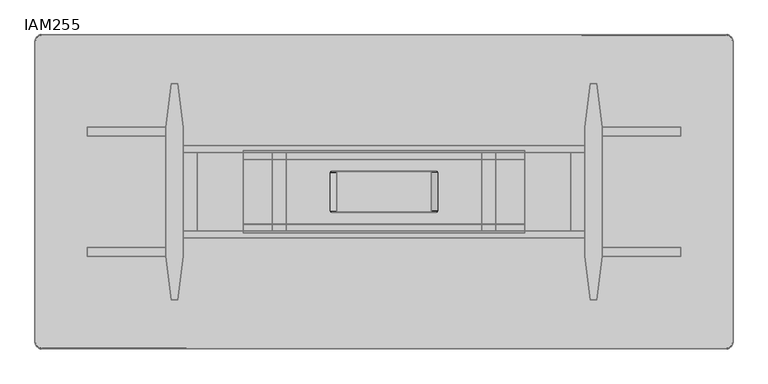
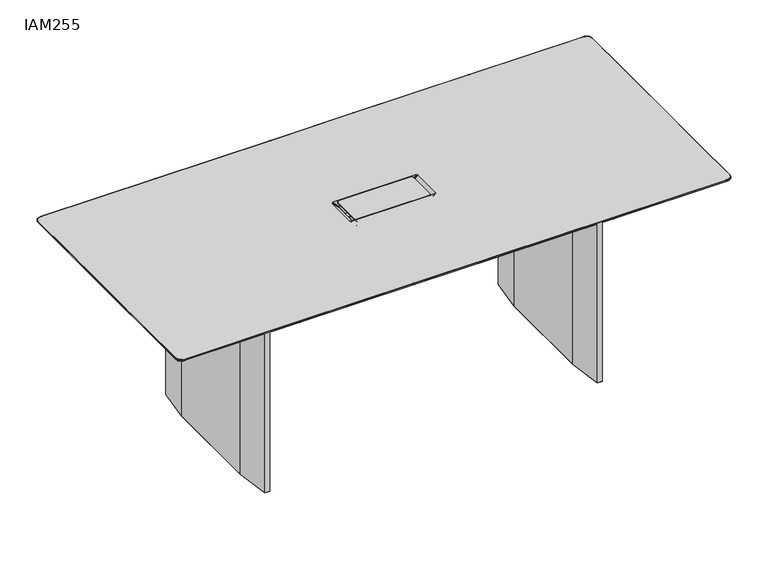
"""IFC4 building model written with IfcOpenShell, lengths in millimetres: furniture geometry, IAM255."""

from ifc_helpers import new_model, si_unit, origin, place, context, project, spatial, triangles, source, transform, mapped, element, save


def iam255_417bec36(model_context):
    return source(origin(), model_context, "Body", "Tessellation", [
        triangles([(131.0001434, -57.9997437, 724.9997875), (132.8403382, -57.6486069, 724.9997875), (134.5353837, -56.5352982, 724.9997875), (131.0001434, -52.9996629, 724.9997875), (135.6490875, -54.8400529, 724.9997875), (136.0000381, -52.9996629, 724.9997875), (131.0001434, -57.9997437, 723.4854177), (132.8403382, -57.6486069, 723.4854177), (134.535965, -56.5352982, 723.4854177), (135.6490875, -54.8400529, 723.4854177), (136.0000381, -52.9996629, 723.4854177), (111.0000107, -57.9997437, 699.9997147), (111.0000107, -52.9996629, 699.9997147), (114.5354507, -56.5352982, 699.9997147), (112.8403961, -57.6486069, 699.9997147), (111.0000107, 53.0002624, 699.9997147), (116.000087, 53.0002624, 699.9997147), (116.000087, -52.9996629, 699.9997147), (115.6489456, -54.8400529, 699.9997147), (135.743068, -52.9996629, 720.7435066), (135.743068, 53.0002624, 720.7435066), (136.0000381, 53.0002624, 723.4854177), (130.9995621, -57.9997437, 722.1296139), (132.8407197, -57.6486069, 721.7631392), (134.4262969, -56.4256165, 721.2385345), (135.4810745, -54.8111802, 720.8545464), (-130.9999527, -52.999681, 724.9997875), (-130.9999527, -57.9997619, 724.9997875), (-111.0000107, -57.9997619, 699.9997147), (-111.0000107, -52.999681, 699.9997147), (131.6094086, -57.9997437, 721.0209606), (-131.6092178, -57.9997619, 721.0209606), (132.5789261, -57.6486069, 719.9983486), (133.4720856, -56.5352982, 719.0564003), (134.0036392, -54.9981873, 718.4952427), (134.2435501, -52.9996629, 718.2424965), (-134.5353837, -56.5353164, 724.9997875), (-132.8403382, -57.6486205, 724.9997875), (-130.9999527, 53.0002442, 724.9997875), (-135.9998473, 53.0002442, 724.9997875), (-135.9998473, -52.999681, 724.9997875), (-135.6488877, -54.840071, 724.9997875), (-130.9999527, -57.9997619, 723.4854177), (-132.8403382, -57.6486205, 723.4854177), (-134.5357743, -56.5353164, 723.4854177), (-135.6488877, -54.840071, 723.4854177), (-135.9998473, -52.999681, 723.4854177), (-112.8402054, -57.6486205, 699.9997147), (-114.53526, -56.5353164, 699.9997147), (-115.9998962, -52.999681, 699.9997147), (-115.9998962, 53.0002442, 699.9997147), (-111.0000107, 53.0002442, 699.9997147), (-115.6489456, -54.840071, 699.9997147), (-135.9998473, 53.0002442, 723.4854177), (-135.7428772, 53.0002442, 720.7435066), (-135.7428772, -52.999681, 720.7435066), (-132.8405289, -57.6486205, 721.7631392), (-130.9993713, -57.9997619, 722.1296139), (-134.4262969, -56.4256302, 721.2385345), (-135.4808837, -54.8111938, 720.8545464), (-132.5787262, -57.6486205, 719.9983486), (-133.4718948, -56.5353164, 719.0564003), (-134.0036392, -54.9982009, 718.4952427), (-134.2433503, -52.999681, 718.2424965), (-134.2433503, 53.0002442, 718.2424965), (131.0001434, 58.0003433, 724.9997875), (131.0001434, 53.0002624, 724.9997875), (134.5353837, 56.5358978, 724.9997875), (132.8403382, 57.6492019, 724.9997875), (136.0000381, 53.0002624, 724.9997875), (135.6490875, 54.8408432, 724.9997875), (132.8403382, 57.6492019, 723.4854177), (131.0001434, 58.0003433, 723.4854177), (134.535965, 56.5358978, 723.4854177), (135.6490875, 54.8408432, 723.4854177), (111.0000107, 58.0003433, 699.9997147), (112.8403961, 57.6492019, 699.9997147), (114.5354507, 56.5358978, 699.9997147), (115.6489456, 54.8408432, 699.9997147), (132.8407197, 57.6492019, 721.7631392), (130.9995621, 58.0003433, 722.1296139), (134.4262969, 56.4262115, 721.2385345), (135.4810745, 54.8117752, 720.8545464), (-130.9999527, 58.0003251, 724.9997875), (-111.0000107, 58.0003251, 699.9997147), (-131.6092178, 58.0003251, 721.0209606), (131.6094086, 58.0003433, 721.0209606), (134.2435501, 53.0002624, 718.2424965), (132.5789261, 57.6492019, 719.9983486), (133.4720856, 56.5358978, 719.0564003), (134.0036392, 54.9987823, 718.4952427), (-132.8403382, 57.6491883, 724.9997875), (-134.5353837, 56.5358796, 724.9997875), (-135.6488877, 54.8408295, 724.9997875), (-130.9999527, 58.0003251, 723.4854177), (-132.8403382, 57.6491883, 723.4854177), (-134.5357743, 56.5358796, 723.4854177), (-135.6488877, 54.8408295, 723.4854177), (-114.53526, 56.5358796, 699.9997147), (-112.8402054, 57.6491883, 699.9997147), (-115.6489456, 54.8408295, 699.9997147), (-130.9993713, 58.0003251, 722.1296139), (-132.8405289, 57.6491883, 721.7631392), (-134.4262969, 56.4261979, 721.2385345), (-135.4808837, 54.8117615, 720.8545464), (-132.5787262, 57.6491883, 719.9983486), (-133.4718948, 56.5358796, 719.0564003), (-134.0036392, 54.9987687, 718.4952427), (-402.5000321, -92.2005949, 604.9997357), (-402.5000321, -93.0005461, 604.9997357), (-402.5000321, -93.0005461, 620.4997707), (-402.5000321, -92.2005949, 620.4997707), (-402.5000321, -94.5004545, 622.799703), (-402.5000321, -94.5004545, 621.9997519), (-402.5000321, -118.0009551, 621.9997519), (-402.5000321, -118.0009551, 622.799703), (-402.5000321, -93.6646498, 622.6424452), (-402.5000321, -93.9553298, 621.8971418), (-402.5000321, -92.0500227, 604.2001842), (-402.5000321, -92.7953261, 603.909359), (-402.5000321, -92.8912504, 622.1429117), (-402.5000321, -92.3728682, 621.3735546), (-402.5000321, -93.1129484, 621.0696487), (-402.5000321, -93.4509001, 621.571435), (-402.5000321, -91.5723357, 603.4603675), (-402.5000321, -90.8363432, 602.9646855), (-402.5000321, -91.1403853, 602.2246508), (-402.5000321, -92.1438215, 602.9006269), (-402.5000321, -90.0005294, 602.7997247), (-402.5000321, -90.0005294, 601.9997735), (-402.5000321, 90.0001024, 602.7997247), (-402.5000321, 90.0001024, 601.9997735), (-402.5000321, 92.2003497, 604.9997357), (-402.5000321, 92.2003497, 620.4997707), (-402.5000321, 93.0001101, 620.4997707), (-402.5000321, 93.0001101, 604.9997357), (-402.5000321, 94.5002184, 622.799703), (-402.5000321, 118.000519, 622.799703), (-402.5000321, 118.000519, 621.9997519), (-402.5000321, 94.5002184, 621.9997519), (-402.5000321, 93.9550936, 621.8971418), (-402.5000321, 93.6642229, 622.6424452), (-402.5000321, 92.7950899, 603.909359), (-402.5000321, 92.0497865, 604.2001842), (-402.5000321, 92.8910143, 622.1429117), (-402.5000321, 93.450664, 621.571435), (-402.5000321, 93.1127031, 621.0696487), (-402.5000321, 92.372632, 621.3735546), (-402.5000321, 91.5719087, 603.4603675), (-402.5000321, 92.1435762, 602.9006269), (-402.5000321, 91.1399584, 602.2246508), (-402.5000321, 90.8360979, 602.9646855), (402.5000321, -92.2005495, 620.4997707), (402.5000321, -92.2005495, 604.9997357), (402.5000321, -93.0005007, 604.9997357), (402.5000321, -93.0005007, 620.4997707), (402.5000321, -94.5004091, 621.9997519), (402.5000321, -118.0009096, 621.9997519), (402.5000321, -93.112903, 621.0696487), (402.5000321, -90.0004839, 601.9997735), (402.5000321, -91.140349, 602.2246508), (402.5000321, -92.891205, 622.1429117), (402.5000321, -92.3728228, 621.3735546), (402.5000321, -93.4508547, 621.571435), (402.5000321, -93.9552843, 621.8971418), (402.5000321, -93.6646044, 622.6424452), (402.5000321, -92.1437761, 602.9006269), (402.5000321, -92.7952806, 603.909359), (402.5000321, -92.0499773, 604.2001842), (402.5000321, -91.5722903, 603.4603675), (402.5000321, -90.8362978, 602.9646855), (402.5000321, -90.0004839, 602.7997247), (402.5000321, 90.0001478, 601.9997735), (402.5000321, 92.2003951, 604.9997357), (402.5000321, 92.2003951, 620.4997707), (402.5000321, 118.0005645, 622.799703), (402.5000321, 118.0005645, 621.9997519), (402.5000321, 94.5002547, 622.799703), (402.5000321, 93.6642683, 622.6424452), (402.5000321, 93.4507094, 621.571435), (402.5000321, 93.1127486, 621.0696487), (402.5000321, 92.8910597, 622.1429117), (402.5000321, 93.0001555, 620.4997707), (402.5000321, 91.5719451, 603.4603675), (402.5000321, 92.049832, 604.2001842), (402.5000321, 92.7951353, 603.909359), (402.5000321, 92.1436217, 602.9006269), (402.5000321, 90.0001478, 602.7997247), (402.5000321, 90.8361433, 602.9646855), (402.5000321, -94.5004091, 622.799703), (402.5000321, -118.0009096, 622.799703), (402.5000321, 93.0001555, 604.9997357), (402.5000321, 94.5002547, 621.9997519), (402.5000321, 93.955139, 621.8971418), (402.5000321, 92.3726774, 621.3735546), (402.5000321, 91.1400038, 602.2246508), (-979.9994843, 450.0000034, 724.4997454), (-564.9996337, 450.0000034, 724.4997454), (-564.9996337, 450.0000034, 720.4995535), (-979.9994843, 450.0000034, 720.4995535), (-999.9994263, 430.0000251, 724.4997454), (-998.5952242, 437.362112, 724.4997454), (-998.5952242, 437.362112, 720.4995535), (-999.9994263, 430.0000251, 720.4995535), (-994.1416443, 444.1421124, 724.4997454), (-994.1416443, 444.1421124, 720.4995535), (-987.3614622, 448.5956923, 724.4997454), (-987.3614622, 448.5956923, 720.4995535), (-999.4994568, 430.0000251, 724.9997149), (-999.4994568, 242.4998601, 724.9997149), (-979.9994843, 242.4998601, 724.9997149), (-979.9994843, 430.0000251, 724.9997149), (-993.7881775, 443.7886456, 724.9997149), (-998.1227966, 437.1707356, 724.9997149), (-154.6483003, 56.8403214, 724.9997149), (-153.5350143, 58.5353715, 724.9997149), (-979.9994843, 449.500034, 724.9997149), (-987.1699768, 448.1231558, 724.9997149), (-149.9995924, 430.0000978, 724.9997149), (-149.9993653, 59.999817, 724.9997149), (149.9991745, 59.9998306, 724.9997149), (149.999338, 430.0000978, 724.9997149), (-999.9994263, 54.9998814, 724.4997454), (-999.9994263, 54.9998814, 720.4995535), (-999.9994263, -54.9999904, 720.4995535), (-999.9994263, -54.9999904, 724.4997454), (-149.9995924, 449.5000703, 724.9997149), (-564.9996337, 449.5000703, 724.9997149), (-564.9996337, 430.0000614, 724.9997149), (-151.8399597, 59.6488709, 724.9997149), (-999.9994263, 242.4998601, 724.4997454), (-999.9994263, 242.4998601, 720.4995535), (-999.4994568, 54.9998814, 724.9997149), (-979.9994843, 54.9998814, 724.9997149), (-154.9992599, 54.9999268, 724.9997149), (979.9991936, 450.0001124, 724.4997454), (979.9991936, 450.0001124, 720.4995535), (564.999234, 450.0000761, 720.4995535), (564.999234, 450.0000761, 724.4997454), (999.9991356, 430.0001704, 724.4997454), (999.9991356, 430.0001704, 720.4995535), (998.5951515, 437.3622211, 720.4995535), (998.5951515, 437.3622211, 724.4997454), (994.1414989, 444.1422215, 720.4995535), (994.1414989, 444.1422215, 724.4997454), (987.3612442, 448.5958377, 720.4995535), (987.3612442, 448.5958377, 724.4997454), (999.4991661, 430.0001704, 724.9997149), (979.9991936, 430.0001704, 724.9997149), (979.9991936, 242.4999691, 724.9997149), (999.4991661, 242.4999691, 724.9997149), (998.1225786, 437.170881, 724.9997149), (993.7879595, 443.7887547, 724.9997149), (153.5348145, 58.5353851, 724.9997149), (154.6481186, 56.840335, 724.9997149), (987.1698315, 448.1232648, 724.9997149), (979.9991936, 449.500143, 724.9997149), (149.999338, 449.5000703, 724.9997149), (149.999338, 450.0000398, 724.4997454), (149.999338, 450.0000398, 720.4995535), (-149.9995924, 450.0000398, 720.4995535), (-149.9995924, 450.0000398, 724.4997454), (564.999234, 430.0001341, 724.9997149), (564.999234, 449.5001066, 724.9997149), (151.8397599, 59.6488845, 724.9997149), (999.9991356, 54.9999904, 724.4997454), (999.9991356, 54.9999904, 720.4995535), (999.9991356, 242.4999691, 720.4995535), (999.9991356, 242.4999691, 724.4997454), (979.9991936, 54.9999904, 724.9997149), (999.4991661, 54.9999904, 724.9997149), (154.9992599, 54.999945, 724.9997149), (-979.9994843, -450.0001124, 724.4997454), (-979.9994843, -450.0001124, 720.4995535), (-564.9996337, -450.0000761, 720.4995535), (-564.9996337, -450.0000761, 724.4997454), (-999.9994263, -430.0001704, 724.4997454), (-999.9994263, -430.0001704, 720.4995535), (-998.5952242, -437.3623301, 720.4995535), (-998.5952242, -437.3623301, 724.4997454), (-994.1416443, -444.1422941, 720.4995535), (-994.1416443, -444.1422941, 724.4997454), (-987.3614622, -448.5959467, 720.4995535), (-987.3614622, -448.5959467, 724.4997454), (-999.4994568, -430.0001704, 724.9997149), (-979.9994843, -430.0001704, 724.9997149), (-979.9994843, -242.4999691, 724.9997149), (-999.4994568, -242.4999691, 724.9997149), (-998.1227966, -437.170881, 724.9997149), (-993.7881775, -443.7888637, 724.9997149), (-153.5350143, -58.5353851, 724.9997149), (-154.6483003, -56.840335, 724.9997149), (-987.1699768, -448.1234828, 724.9997149), (-979.9994843, -449.500143, 724.9997149), (149.9993925, -430.0000978, 724.9997149), (149.9991745, -59.999817, 724.9997149), (-149.9993653, -59.9998306, 724.9997149), (-149.9995288, -430.0000978, 724.9997149), (-149.9995288, -449.5000703, 724.9997149), (-564.9996337, -430.0001341, 724.9997149), (-564.9996337, -449.5001066, 724.9997149), (-151.8399597, -59.6488845, 724.9997149), (-999.4994568, -54.9999904, 724.9997149), (-979.9994843, -54.9999904, 724.9997149), (-999.9994263, -242.4999691, 720.4995535), (-999.9994263, -242.4999691, 724.4997454), (-154.9992599, -54.999945, 724.9997149), (979.9991936, -450.0000034, 724.4997454), (564.999234, -450.0000034, 724.4997454), (564.999234, -450.0000034, 720.4995535), (979.9991936, -450.0000034, 720.4995535), (999.9991356, -430.0000251, 724.4997454), (998.5951515, -437.3621847, 724.4997454), (998.5951515, -437.3621847, 720.4995535), (999.9991356, -430.0000251, 720.4995535), (994.1414989, -444.1421851, 724.4997454), (994.1414989, -444.1421851, 720.4995535), (987.3612442, -448.5958377, 724.4997454), (987.3612442, -448.5958377, 720.4995535), (999.4991661, -430.0000251, 724.9997149), (999.4991661, -242.4998601, 724.9997149), (979.9991936, -242.4998601, 724.9997149), (979.9991936, -430.0000251, 724.9997149), (993.7879595, -443.7887547, 724.9997149), (998.1225786, -437.1707356, 724.9997149), (154.6481186, -56.8403214, 724.9997149), (153.5348145, -58.5353715, 724.9997149), (979.9991936, -449.500034, 724.9997149), (987.1698315, -448.1233738, 724.9997149), (149.9993925, -449.5000703, 724.9997149), (999.9991356, -54.9998814, 724.4997454), (999.9991356, -54.9998814, 720.4995535), (149.9993925, -450.0000398, 724.4997454), (-149.9995288, -450.0000398, 724.4997454), (-149.9995288, -450.0000398, 720.4995535), (149.9993925, -450.0000398, 720.4995535), (564.999234, -449.5000703, 724.9997149), (564.999234, -430.0000614, 724.9997149), (151.8397599, -59.6488709, 724.9997149), (999.4991661, -54.9998814, 724.9997149), (979.9991936, -54.9998814, 724.9997149), (999.9991356, -242.4998601, 724.4997454), (999.9991356, -242.4998601, 720.4995535), (154.9992599, -54.9999268, 724.9997149), (-965.3585175, 395.3586439, 699.9997147), (-963.9543154, 402.7205855, 699.9997147), (-959.5007355, 409.500913, 699.9997147), (-945.3585754, 395.3586439, 699.9997147), (-945.3585754, 415.3586949, 699.9997147), (-535.1787795, 415.3587313, 699.9997147), (-535.1787795, 395.3586802, 699.9997147), (-945.3585754, 225.1794057, 699.9997147), (-965.3585175, 225.1794057, 699.9997147), (-952.7201174, 413.9545292, 699.9997147), (-128.5349869, 58.5355668, 699.9997147), (-129.6482819, 56.8407075, 699.9997147), (-945.3585754, 55.0000767, 699.9997147), (-945.3585754, -55.0003765, 699.9997147), (-965.3585175, -55.0003765, 699.9997147), (-965.3585175, 55.0000767, 699.9997147), (-124.9993469, 60.0000077, 699.9997147), (-126.8399323, 59.6490662, 699.9997147), (-124.9993651, 395.3587166, 699.9997147), (-129.9994323, 55.0001221, 699.9997147), (-129.9994323, -55.0003311, 699.9997147), (965.3592442, 395.3587893, 699.9997147), (945.3592295, 395.3587893, 699.9997147), (959.5013895, 409.501022, 699.9997147), (963.9549694, 402.7207309, 699.9997147), (535.1797242, 395.3587529, 699.9997147), (535.1797242, 415.3587676, 699.9997147), (945.3592295, 415.3588039, 699.9997147), (125.0001009, 395.3587166, 699.9997147), (125.000119, 60.0000259, 699.9997147), (965.3592442, 225.1795147, 699.9997147), (945.3592295, 225.1795147, 699.9997147), (952.7211348, 413.9546382, 699.9997147), (128.535759, 58.5355804, 699.9997147), (129.649054, 56.8407211, 699.9997147), (125.0000918, 415.3587676, 699.9997147), (-124.9993651, 415.3587676, 699.9997147), (965.3592442, 55.0001812, 699.9997147), (945.3592295, 55.0001812, 699.9997147), (126.8407135, 59.6490798, 699.9997147), (130.0002045, 55.0001358, 699.9997147), (-965.3585175, -395.3590799, 699.9997147), (-945.3585754, -395.3590799, 699.9997147), (-959.5007355, -409.5014216, 699.9997147), (-963.9543154, -402.7212032, 699.9997147), (-535.1787795, -395.3590436, 699.9997147), (-535.1787795, -415.3589493, 699.9997147), (-945.3585754, -415.3589856, 699.9997147), (-965.3585175, -225.1797146, 699.9997147), (-945.3585754, -225.1797146, 699.9997147), (-952.7201174, -413.9550379, 699.9997147), (-128.5349869, -58.5359665, 699.9997147), (-129.6482819, -56.8409209, 699.9997147), (-124.9993469, -60.0004165, 699.9997147), (-124.9993197, -395.3590073, 699.9997147), (-126.8399323, -59.6494659, 699.9997147), (965.3592442, -395.3589346, 699.9997147), (963.9549694, -402.7210942, 699.9997147), (959.5013895, -409.5012763, 699.9997147), (945.3592295, -395.3589346, 699.9997147), (945.3592295, -415.3588766, 699.9997147), (535.1797242, -415.3589129, 699.9997147), (535.1797242, -395.3589709, 699.9997147), (125.000119, -60.0004029, 699.9997147), (125.0001372, -395.3590073, 699.9997147), (945.3592295, -225.1796056, 699.9997147), (965.3592442, -225.1796056, 699.9997147), (952.7211348, -413.9549289, 699.9997147), (128.535759, -58.5359528, 699.9997147), (129.649054, -56.8409028, 699.9997147), (125.0001463, -415.3589129, 699.9997147), (-124.9993197, -415.3589129, 699.9997147), (945.3592295, -55.000272, 699.9997147), (965.3592442, -55.000272, 699.9997147), (126.8407135, -59.6494523, 699.9997147), (130.0002045, -55.0003174, 699.9997147), (979.671888, -449.6726615, 719.8105694), (564.7032855, -449.6527499, 719.7990875), (149.7345014, -449.63302, 719.7876057), (-149.7346285, -449.63302, 719.7876057), (-564.7031038, -449.6528226, 719.7990875), (-979.6719606, -449.6727705, 719.8105694), (-987.0339386, -448.2684594, 719.8105694), (-993.8141207, -443.8148068, 719.8105694), (-998.2677006, -437.0348064, 719.8105694), (-999.6719027, -429.6728648, 719.8105694), (-999.6017761, -242.3011441, 719.7701649), (-999.5660952, -54.9999904, 719.7495993), (-999.5660952, 54.9998814, 719.7495993), (-999.6017761, 242.3012167, 719.7701649), (-999.6719027, 429.6727558, 719.8105694), (-998.2677006, 437.0347701, 719.8105694), (-993.8141207, 443.8149158, 719.8105694), (-987.0339386, 448.2684958, 719.8105694), (-979.6719606, 449.6727705, 719.8105694), (-564.7031038, 449.6529316, 719.7990875), (-149.7346921, 449.632911, 719.7876057), (149.7344378, 449.632911, 719.7876057), (564.7032855, 449.6528226, 719.7990875), (979.671888, 449.6727705, 719.8105694), (987.0339386, 448.2684594, 719.8105694), (993.814266, 443.8148068, 719.8105694), (998.2678459, 437.0348064, 719.8105694), (999.6719027, 429.6727558, 719.8105694), (999.6018488, 242.3013439, 719.7701649), (999.5661678, 54.9999904, 719.7495993), (999.5661678, -54.9998814, 719.7495993), (999.6018488, -242.3010351, 719.7701649), (999.6719027, -429.6727558, 719.8105694), (998.2678459, -437.0346974, 719.8105694), (993.814266, -443.8146978, 719.8105694), (987.0339386, -448.2683141, 719.8105694), (-999.8110657, 430.0000251, 724.8116449), (-999.8110657, 242.4998601, 724.8116449), (-998.4254671, 437.2934026, 724.8122263), (-994.0087309, 444.0090537, 724.8116449), (-987.2928617, 448.4260443, 724.812299), (-979.9994843, 449.8118972, 724.8116449), (-999.8830816, 429.8839711, 720.1099697), (-999.8598999, 242.4302968, 720.0944183), (-998.4793882, 437.2460217, 720.1099697), (-994.0257357, 444.0260221, 720.1099697), (-987.2455536, 448.4796384, 720.1099697), (-979.8832123, 449.8839131, 720.1099697), (149.999338, 449.8119699, 724.8116449), (-149.9995924, 449.8119699, 724.8116449), (-564.9996337, 449.8119335, 724.8116449), (-149.906384, 449.8707235, 720.1010313), (-564.8945529, 449.8772638, 720.1055368), (-999.8486361, 54.9998814, 720.0866426), (-999.8486361, -54.9999904, 720.0866426), (-999.8110657, 54.9998814, 724.8116449), (979.8830669, 449.8840221, 720.1099697), (564.8948072, 449.8773365, 720.1055368), (999.8110657, 430.0001704, 724.8116449), (998.4254671, 437.2935116, 724.812299), (999.8830816, 429.8840801, 720.1099697), (998.4790976, 437.2461308, 720.1099697), (994.0084402, 444.009199, 724.8116449), (994.025445, 444.0261312, 720.1099697), (987.2924984, 448.4261533, 724.812299), (987.2451176, 448.4797474, 720.1099697), (979.9991936, 449.8120425, 724.8116449), (999.8110657, 242.4999691, 724.8116449), (149.9061297, 449.8707235, 720.1010313), (564.999234, 449.8120062, 724.8116449), (999.8110657, 54.9999904, 724.8116449), (999.8482727, 54.9999904, 720.0866426), (999.8598272, 242.430424, 720.0944183), (-979.8832123, -449.8840221, 720.109897), (-564.8945529, -449.8774092, 720.1054642), (-999.8110657, -430.0001704, 724.8116449), (-998.4254671, -437.2936933, 724.812299), (-999.8830816, -429.8838984, 720.109897), (-998.4793882, -437.2462398, 720.1099697), (-994.0087309, -444.009199, 724.8116449), (-994.0257357, -444.0260585, 720.1099697), (-987.2928617, -448.426553, 724.812299), (-987.2455536, -448.4796384, 720.1099697), (-979.9994843, -449.8119335, 724.8116449), (-999.8110657, -242.4999691, 724.8116449), (-999.8110657, -54.9999904, 724.8116449), (-149.9063205, -449.8707962, 720.1010313), (149.9061842, -449.8707962, 720.1010313), (-564.9996337, -449.8118972, 724.8116449), (-999.8598999, -242.4302241, 720.0944183), (998.4790976, -437.2461308, 720.1099697), (999.8830816, -429.8837894, 720.1099697), (998.4254671, -437.2935843, 724.812299), (999.8110657, -430.0000251, 724.8116449), (994.025445, -444.0259495, 720.1099697), (994.0084402, -444.0090537, 724.8116449), (987.2451176, -448.4795294, 720.1099697), (987.2924984, -448.4260443, 724.8122263), (979.8830669, -449.8839131, 720.1099697), (979.9991936, -449.8118245, 724.8116449), (999.8110657, -242.4998601, 724.8116449), (-149.9995288, -449.8118608, 724.8116449), (149.9993925, -449.8118608, 724.8116449), (999.8482727, -54.9998814, 720.0866426), (999.8110657, -54.9998814, 724.8116449), (564.999234, -449.8118608, 724.8116449), (564.8948072, -449.8773365, 720.1055368), (999.8598999, -242.430097, 720.0944183), (575.0003314, -132.999985, 599.9997866), (575.0003314, -132.999985, 699.9997873), (-575.0003314, -133.0000486, 699.9997873), (-575.0003314, -133.0000486, 599.9997866), (575.0003314, 113.0001066, 599.9997866), (575.0003314, 113.0001066, 699.9997873), (-575.0003314, 113.0000521, 699.9997873), (-575.0003314, 113.0000521, 599.9997866), (-575.0003314, 132.999985, 599.9997866), (-575.0003314, 132.999985, 699.9997873), (575.0003314, 133.0000486, 699.9997873), (575.0003314, 133.0000486, 599.9997866), (-575.0003314, -112.9999158, 599.9997866), (-575.0003314, -112.9999158, 699.9997873), (575.0003314, -112.9998523, 699.9997873), (575.0003314, -112.9998523, 599.9997866), (-575.0003314, 113.0000521, 624.9997141), (-575.0003314, -112.9999158, 624.9997868), (-535.00052, 113.0000521, 624.9997141), (-535.00052, 113.0000521, 699.9997873), (-535.00052, -112.9999158, 699.9997873), (-535.00052, -112.9999158, 624.9997868), (-320.0033235, 113.0000612, 699.9997873), (-320.0033235, 113.0000612, 659.999758), (-320.0033235, -112.9998977, 659.9998306), (-320.0033235, -112.9998977, 699.9997873), (-280.0032578, -112.9998977, 659.9998306), (-280.0032578, 113.0000612, 659.999758), (-280.0032578, 113.0000612, 699.9997873), (-280.0032578, -112.9998977, 699.9997873), (279.9993699, 113.0000975, 659.999758), (279.9993699, -112.9998704, 659.9998306), (279.9993699, -112.9998704, 699.9997873), (279.9993699, 113.0000975, 699.9997873), (319.9992539, 113.0000975, 659.999758), (319.9992539, -112.9998704, 659.9998306), (319.9992539, 113.0000975, 699.9997873), (319.9992539, -112.9998704, 699.9997873), (534.9985216, 113.0001066, 624.9997141), (534.9985216, -112.9998523, 624.9997868), (534.9985216, -112.9998523, 699.9997873), (534.9985216, 113.0001066, 699.9997873), (574.998442, -112.9998523, 624.9997868), (574.998442, 113.0001066, 624.9997141), (-654.7381605, -184.9129682, 601.3219442), (-654.7387419, -184.9129682, 699.9997873), (-667.7675978, -184.9129682, 699.9997873), (-667.7670164, -184.9129682, 605.2381296), (-849.9969543, -159.9129498, 679.999918), (-849.9969543, -159.9129498, 699.9997873), (-667.7675978, -159.9129498, 699.9997873), (-667.7670164, -159.9129498, 605.2381296), (-624.9986967, -159.9129498, 699.9997873), (-641.1978533, -159.9129498, 699.9997873), (-641.1978533, -184.9129682, 699.9997873), (-624.9986967, -184.9129682, 699.9997873), (-624.9986967, -159.9129498, 599.9997866), (-624.9986967, -184.9129682, 599.9997866), (-849.9969543, -184.9129864, 679.999918), (-849.9969543, -184.9129864, 699.9997873), (-641.1978533, -159.9129498, 599.9997866), (-641.1978533, -184.9129682, 599.9997866), (-654.7381605, -159.9129498, 601.3219442), (-654.7387419, -159.9129498, 699.9997873), (-654.7381605, 159.913077, 601.3219442), (-654.7387419, 159.913077, 699.9997873), (-667.7675978, 159.913077, 699.9997873), (-667.7670164, 159.913077, 605.2381296), (-849.9969543, 184.9130772, 679.999918), (-849.9969543, 184.9130772, 699.9997873), (-667.7675978, 184.9130954, 699.9997873), (-667.7670164, 184.9130954, 605.2381296), (-624.9986967, 184.9130954, 699.9997873), (-641.1978533, 184.9130954, 699.9997873), (-641.1978533, 159.913077, 699.9997873), (-624.9986967, 159.913077, 699.9997873), (-624.9986967, 184.9130954, 599.9997866), (-624.9986967, 159.913077, 599.9997866), (-849.9969543, 159.9130589, 679.999918), (-849.9969543, 159.9130589, 699.9997873), (-641.1978533, 184.9130954, 599.9997866), (-641.1978533, 159.913077, 599.9997866), (-654.7381605, 184.9130954, 601.3219442), (-654.7387419, 184.9130954, 699.9997873), (654.7388872, -184.9129137, 601.3219442), (667.7675978, -184.9129137, 605.2381296), (667.7681065, -184.9129137, 699.9997873), (654.7393232, -184.9129137, 699.9997873), (849.9976084, -159.9128772, 679.999918), (667.7675978, -159.9128772, 605.2381296), (667.7681065, -159.9128772, 699.9997873), (849.9976084, -159.9128772, 699.9997873), (624.9992054, -159.9128772, 699.9997873), (624.9992054, -184.9129137, 699.9997873), (641.1984346, -184.9129137, 699.9997873), (641.1984346, -159.9128772, 699.9997873), (624.9992054, -159.9128772, 599.9997866), (624.9992054, -184.9129137, 599.9997866), (849.9976084, -184.9128955, 679.999918), (849.9976084, -184.9128955, 699.9997873), (641.1984346, -159.9128772, 599.9997866), (641.1984346, -184.9129137, 599.9997866), (654.7388872, -159.9128772, 601.3219442), (654.7393232, -159.9128772, 699.9997873), (654.7388872, 159.9131315, 601.3219442), (667.7675978, 159.9131315, 605.2381296), (667.7681065, 159.9131315, 699.9997873), (654.7393232, 159.9131315, 699.9997873), (849.9976084, 184.913168, 679.999918), (667.7675978, 184.9131499, 605.2381296), (667.7681065, 184.9131499, 699.9997873), (849.9976084, 184.913168, 699.9997873), (624.9992054, 184.9131499, 699.9997873), (624.9992054, 159.9131315, 699.9997873), (641.1984346, 159.9131315, 699.9997873), (641.1984346, 184.9131499, 699.9997873), (624.9992054, 184.9131499, 599.9997866), (624.9992054, 159.9131315, 599.9997866), (849.9976084, 159.9131497, 679.999918), (849.9976084, 159.9131497, 699.9997873), (641.1984346, 184.9131499, 599.9997866), (641.1984346, 159.9131315, 599.9997866), (654.7388872, 184.9131499, 601.3219442), (654.7393232, 184.9131499, 699.9997873), (-624.9994961, 184.9136767, -8.18e-05), (-608.9994189, 310.0002276, -8.18e-05), (-590.9993548, 310.0002276, -8.18e-05), (-574.9993867, 184.9136767, -8.18e-05), (-624.9994961, -184.9135496, -8.18e-05), (-574.9993867, -184.9135496, -8.18e-05), (-590.9993548, -310.0003003, -8.18e-05), (-608.9994189, -310.0003003, -8.18e-05), (-608.9994189, 310.0002276, 700.0000053), (-590.9993548, 310.0002276, 700.0000053), (-574.9993867, 184.9136767, 700.0000053), (-574.9993867, -184.9133497, 700.000078), (-608.9994189, -310.0000823, 700.000078), (-590.9993548, -310.0000823, 700.000078), (575.0015305, 184.9137312, -8.18e-05), (591.0014986, 310.0003003, -8.18e-05), (609.0015627, 310.0003003, -8.18e-05), (625.0015308, 184.9137312, -8.18e-05), (575.0015305, -184.9134951, -8.18e-05), (625.0015308, -184.9134951, -8.18e-05), (609.0015627, -310.0002276, -8.18e-05), (591.0014986, -310.0002276, -8.18e-05), (575.0015305, 184.9137312, 700.0000053), (591.0014986, 310.0003003, 700.0000053), (609.0015627, 310.0003003, 700.0000053), (591.0014986, -310.000046, 700.000078), (575.0015305, -184.9132952, 700.000078), (609.0015627, -310.000046, 700.000078)], [[1, 2, 3], [1, 3, 4], [3, 5, 6], [3, 6, 4], [2, 1, 7], [2, 7, 8], [3, 2, 8], [3, 8, 9], [5, 3, 9], [5, 9, 10], [6, 5, 10], [6, 10, 11], [12, 13, 14], [12, 14, 15], [13, 16, 17], [13, 17, 18], [14, 13, 18], [14, 18, 19], [11, 20, 21], [11, 21, 22], [7, 23, 24], [7, 24, 8], [8, 24, 25], [8, 25, 9], [9, 25, 26], [9, 26, 10], [10, 26, 20], [10, 20, 11], [1, 4, 27], [1, 27, 28], [13, 12, 29], [13, 29, 30], [12, 31, 32], [12, 32, 29], [31, 12, 15], [31, 15, 33], [33, 15, 14], [33, 14, 34], [34, 14, 19], [34, 19, 35], [35, 19, 18], [35, 18, 36], [23, 31, 33], [23, 33, 24], [24, 33, 34], [24, 34, 25], [25, 34, 35], [25, 35, 26], [26, 35, 36], [26, 36, 20], [28, 27, 37], [28, 37, 38], [27, 39, 40], [27, 40, 41], [37, 27, 41], [37, 41, 42], [28, 43, 7], [28, 7, 1], [38, 44, 43], [38, 43, 28], [37, 45, 44], [37, 44, 38], [42, 46, 45], [42, 45, 37], [41, 47, 46], [41, 46, 42], [29, 48, 49], [29, 49, 30], [30, 50, 51], [30, 51, 52], [49, 53, 50], [49, 50, 30], [47, 54, 55], [47, 55, 56], [43, 44, 57], [43, 57, 58], [44, 45, 59], [44, 59, 57], [45, 46, 60], [45, 60, 59], [46, 47, 56], [46, 56, 60], [40, 54, 47], [40, 47, 41], [52, 16, 13], [52, 13, 30], [32, 61, 48], [32, 48, 29], [61, 62, 49], [61, 49, 48], [62, 63, 53], [62, 53, 49], [63, 64, 50], [63, 50, 53], [56, 55, 65], [56, 65, 64], [58, 57, 61], [58, 61, 32], [57, 59, 62], [57, 62, 61], [59, 60, 63], [59, 63, 62], [60, 56, 64], [60, 64, 63], [58, 23, 7], [58, 7, 43], [32, 31, 23], [32, 23, 58], [66, 67, 68], [66, 68, 69], [67, 4, 6], [67, 6, 70], [68, 67, 70], [68, 70, 71], [69, 72, 73], [69, 73, 66], [68, 74, 72], [68, 72, 69], [71, 75, 74], [71, 74, 68], [70, 22, 75], [70, 75, 71], [76, 77, 78], [76, 78, 16], [78, 79, 17], [78, 17, 16], [73, 72, 80], [73, 80, 81], [72, 74, 82], [72, 82, 80], [74, 75, 83], [74, 83, 82], [75, 22, 21], [75, 21, 83], [39, 27, 4], [39, 4, 67], [84, 39, 67], [84, 67, 66], [52, 85, 76], [52, 76, 16], [85, 86, 87], [85, 87, 76], [6, 11, 22], [6, 22, 70], [88, 36, 18], [88, 18, 17], [87, 89, 77], [87, 77, 76], [89, 90, 78], [89, 78, 77], [90, 91, 79], [90, 79, 78], [91, 88, 17], [91, 17, 79], [21, 20, 36], [21, 36, 88], [81, 80, 89], [81, 89, 87], [80, 82, 90], [80, 90, 89], [82, 83, 91], [82, 91, 90], [83, 21, 88], [83, 88, 91], [84, 92, 93], [84, 93, 39], [93, 94, 40], [93, 40, 39], [84, 66, 73], [84, 73, 95], [92, 84, 95], [92, 95, 96], [93, 92, 96], [93, 96, 97], [94, 93, 97], [94, 97, 98], [40, 94, 98], [40, 98, 54], [85, 52, 99], [85, 99, 100], [99, 52, 51], [99, 51, 101], [95, 102, 103], [95, 103, 96], [96, 103, 104], [96, 104, 97], [97, 104, 105], [97, 105, 98], [98, 105, 55], [98, 55, 54], [65, 51, 50], [65, 50, 64], [86, 85, 100], [86, 100, 106], [106, 100, 99], [106, 99, 107], [107, 99, 101], [107, 101, 108], [108, 101, 51], [108, 51, 65], [102, 86, 106], [102, 106, 103], [103, 106, 107], [103, 107, 104], [104, 107, 108], [104, 108, 105], [105, 108, 65], [105, 65, 55], [102, 95, 73], [102, 73, 81], [86, 102, 81], [86, 81, 87], [109, 110, 111], [109, 111, 112], [113, 114, 115], [113, 115, 116], [114, 113, 117], [114, 117, 118], [110, 109, 119], [110, 119, 120], [121, 122, 123], [121, 123, 124], [117, 121, 124], [117, 124, 118], [122, 112, 111], [122, 111, 123], [125, 126, 127], [125, 127, 128], [119, 125, 128], [119, 128, 120], [126, 129, 130], [126, 130, 127], [130, 129, 131], [130, 131, 132], [133, 134, 135], [133, 135, 136], [137, 138, 139], [137, 139, 140], [140, 141, 142], [140, 142, 137], [136, 143, 144], [136, 144, 133], [145, 146, 147], [145, 147, 148], [142, 141, 146], [142, 146, 145], [148, 147, 135], [148, 135, 134], [149, 150, 151], [149, 151, 152], [144, 143, 150], [144, 150, 149], [152, 151, 132], [152, 132, 131], [109, 112, 153], [109, 153, 154], [111, 110, 155], [111, 155, 156], [115, 114, 157], [115, 157, 158], [123, 111, 156], [123, 156, 159], [127, 130, 160], [127, 160, 161], [122, 121, 162], [122, 162, 163], [118, 124, 164], [118, 164, 165], [121, 117, 166], [121, 166, 162], [124, 123, 159], [124, 159, 164], [112, 122, 163], [112, 163, 153], [120, 128, 167], [120, 167, 168], [125, 119, 169], [125, 169, 170], [128, 127, 161], [128, 161, 167], [129, 126, 171], [129, 171, 172], [110, 120, 168], [110, 168, 155], [130, 132, 173], [130, 173, 160], [134, 133, 174], [134, 174, 175], [139, 138, 176], [139, 176, 177], [138, 137, 178], [138, 178, 176], [137, 142, 179], [137, 179, 178], [147, 146, 180], [147, 180, 181], [142, 145, 182], [142, 182, 179], [135, 147, 181], [135, 181, 183], [144, 149, 184], [144, 184, 185], [150, 143, 186], [150, 186, 187], [152, 131, 188], [152, 188, 189], [154, 153, 156], [154, 156, 155], [190, 191, 158], [190, 158, 157], [157, 165, 166], [157, 166, 190], [155, 168, 169], [155, 169, 154], [162, 164, 159], [162, 159, 163], [166, 165, 164], [166, 164, 162], [163, 159, 156], [163, 156, 153], [170, 167, 161], [170, 161, 171], [169, 168, 167], [169, 167, 170], [171, 161, 160], [171, 160, 172], [160, 173, 188], [160, 188, 172], [174, 192, 183], [174, 183, 175], [178, 193, 177], [178, 177, 176], [193, 178, 179], [193, 179, 194], [192, 174, 185], [192, 185, 186], [182, 195, 181], [182, 181, 180], [179, 182, 180], [179, 180, 194], [195, 175, 183], [195, 183, 181], [184, 189, 196], [184, 196, 187], [185, 184, 187], [185, 187, 186], [189, 188, 173], [189, 173, 196], [188, 131, 129], [188, 129, 172], [190, 113, 116], [190, 116, 191], [191, 116, 115], [191, 115, 158], [166, 117, 113], [166, 113, 190], [169, 119, 109], [169, 109, 154], [157, 114, 118], [157, 118, 165], [171, 126, 125], [171, 125, 170], [192, 136, 135], [192, 135, 183], [193, 140, 139], [193, 139, 177], [194, 141, 140], [194, 140, 193], [174, 133, 144], [174, 144, 185], [186, 143, 136], [186, 136, 192], [182, 145, 148], [182, 148, 195], [180, 146, 141], [180, 141, 194], [195, 148, 134], [195, 134, 175], [184, 149, 152], [184, 152, 189], [196, 151, 150], [196, 150, 187], [173, 132, 151], [173, 151, 196], [197, 198, 199], [197, 199, 200], [201, 202, 203], [201, 203, 204], [202, 205, 206], [202, 206, 203], [205, 207, 208], [205, 208, 206], [207, 197, 200], [207, 200, 208], [209, 210, 211], [209, 211, 212], [212, 213, 214], [212, 214, 209], [212, 211, 215], [212, 215, 216], [212, 217, 218], [212, 218, 213], [219, 220, 221], [219, 221, 222], [223, 224, 225], [223, 225, 226], [227, 228, 229], [227, 229, 219], [219, 229, 230], [219, 230, 220], [223, 231, 232], [223, 232, 224], [210, 233, 234], [210, 234, 211], [231, 201, 204], [231, 204, 232], [211, 234, 235], [211, 235, 215], [236, 237, 238], [236, 238, 239], [240, 241, 242], [240, 242, 243], [243, 242, 244], [243, 244, 245], [245, 244, 246], [245, 246, 247], [247, 246, 237], [247, 237, 236], [248, 249, 250], [248, 250, 251], [249, 248, 252], [249, 252, 253], [249, 254, 255], [249, 255, 250], [249, 253, 256], [249, 256, 257], [227, 219, 222], [227, 222, 258], [259, 260, 261], [259, 261, 262], [258, 222, 263], [258, 263, 264], [222, 221, 265], [222, 265, 263], [266, 267, 268], [266, 268, 269], [251, 250, 270], [251, 270, 271], [269, 268, 241], [269, 241, 240], [250, 255, 272], [250, 272, 270], [273, 274, 275], [273, 275, 276], [277, 278, 279], [277, 279, 280], [280, 279, 281], [280, 281, 282], [282, 281, 283], [282, 283, 284], [284, 283, 274], [284, 274, 273], [285, 286, 287], [285, 287, 288], [286, 285, 289], [286, 289, 290], [286, 291, 292], [286, 292, 287], [286, 290, 293], [286, 293, 294], [295, 296, 297], [295, 297, 298], [299, 298, 300], [299, 300, 301], [298, 297, 302], [298, 302, 300], [303, 304, 234], [303, 234, 233], [226, 225, 305], [226, 305, 306], [288, 287, 304], [288, 304, 303], [306, 305, 278], [306, 278, 277], [287, 292, 307], [287, 307, 304], [304, 307, 235], [304, 235, 234], [308, 309, 310], [308, 310, 311], [312, 313, 314], [312, 314, 315], [313, 316, 317], [313, 317, 314], [316, 318, 319], [316, 319, 317], [318, 308, 311], [318, 311, 319], [320, 321, 322], [320, 322, 323], [323, 324, 325], [323, 325, 320], [323, 322, 326], [323, 326, 327], [323, 328, 329], [323, 329, 324], [330, 295, 298], [330, 298, 299], [331, 332, 267], [331, 267, 266], [333, 334, 335], [333, 335, 336], [330, 337, 338], [330, 338, 295], [295, 338, 339], [295, 339, 296], [340, 271, 270], [340, 270, 341], [331, 342, 343], [331, 343, 332], [321, 340, 341], [321, 341, 322], [342, 312, 315], [342, 315, 343], [322, 341, 344], [322, 344, 326], [341, 270, 272], [341, 272, 344], [345, 346, 347], [345, 347, 348], [348, 349, 350], [348, 350, 351], [348, 352, 353], [348, 353, 345], [347, 354, 349], [347, 349, 348], [355, 356, 352], [355, 352, 348], [357, 358, 359], [357, 359, 360], [352, 357, 360], [352, 360, 353], [361, 362, 351], [361, 351, 363], [356, 364, 357], [356, 357, 352], [364, 365, 358], [364, 358, 357], [366, 367, 368], [366, 368, 369], [367, 370, 371], [367, 371, 372], [373, 374, 361], [373, 361, 363], [367, 366, 375], [367, 375, 376], [368, 367, 372], [368, 372, 377], [378, 367, 376], [378, 376, 379], [380, 373, 363], [380, 363, 381], [376, 375, 382], [376, 382, 383], [374, 373, 370], [374, 370, 384], [379, 376, 383], [379, 383, 385], [386, 387, 388], [386, 388, 389], [387, 390, 391], [387, 391, 392], [387, 386, 393], [387, 393, 394], [388, 387, 392], [388, 392, 395], [396, 387, 394], [396, 394, 397], [394, 393, 359], [394, 359, 358], [398, 399, 390], [398, 390, 400], [397, 394, 358], [397, 358, 365], [401, 402, 403], [401, 403, 404], [404, 405, 406], [404, 406, 407], [399, 398, 408], [399, 408, 409], [404, 410, 411], [404, 411, 401], [403, 412, 405], [403, 405, 404], [413, 414, 410], [413, 410, 404], [415, 416, 399], [415, 399, 409], [417, 383, 382], [417, 382, 418], [410, 417, 418], [410, 418, 411], [408, 419, 407], [408, 407, 409], [414, 420, 417], [414, 417, 410], [420, 385, 383], [420, 383, 417], [405, 421, 422], [405, 422, 406], [415, 423, 424], [415, 424, 416], [416, 424, 425], [416, 425, 391], [395, 392, 426], [395, 426, 427], [388, 395, 427], [388, 427, 428], [389, 388, 428], [389, 428, 429], [386, 389, 429], [386, 429, 430], [393, 386, 430], [393, 430, 431], [359, 393, 431], [359, 431, 432], [359, 432, 433], [359, 433, 360], [353, 360, 433], [353, 433, 434], [345, 353, 434], [345, 434, 435], [346, 345, 435], [346, 435, 436], [347, 346, 436], [347, 436, 437], [354, 347, 437], [354, 437, 438], [349, 354, 438], [349, 438, 439], [349, 439, 440], [349, 440, 350], [381, 441, 442], [381, 442, 380], [380, 442, 443], [380, 443, 371], [377, 372, 444], [377, 444, 445], [368, 377, 445], [368, 445, 446], [369, 368, 446], [369, 446, 447], [366, 369, 447], [366, 447, 448], [375, 366, 448], [375, 448, 449], [382, 375, 449], [382, 449, 450], [382, 450, 451], [382, 451, 418], [411, 418, 451], [411, 451, 452], [401, 411, 452], [401, 452, 453], [402, 401, 453], [402, 453, 454], [403, 402, 454], [403, 454, 455], [412, 403, 455], [412, 455, 456], [405, 412, 456], [405, 456, 421], [374, 221, 220], [374, 220, 361], [362, 230, 216], [362, 216, 355], [356, 355, 216], [356, 216, 215], [364, 356, 215], [364, 215, 235], [364, 235, 307], [364, 307, 365], [397, 365, 307], [397, 307, 292], [396, 397, 292], [396, 292, 291], [400, 302, 297], [400, 297, 398], [398, 297, 296], [398, 296, 408], [419, 339, 327], [419, 327, 413], [414, 413, 327], [414, 327, 326], [420, 414, 326], [420, 326, 344], [420, 344, 272], [420, 272, 385], [379, 385, 272], [379, 272, 255], [378, 379, 255], [378, 255, 254], [384, 265, 221], [384, 221, 374], [209, 457, 458], [209, 458, 210], [214, 459, 457], [214, 457, 209], [213, 460, 459], [213, 459, 214], [218, 461, 460], [218, 460, 213], [217, 462, 461], [217, 461, 218], [204, 463, 464], [204, 464, 232], [203, 465, 463], [203, 463, 204], [206, 466, 465], [206, 465, 203], [208, 467, 466], [208, 466, 206], [200, 468, 467], [200, 467, 208], [258, 469, 470], [258, 470, 227], [227, 470, 471], [227, 471, 228], [261, 472, 473], [261, 473, 199], [224, 474, 475], [224, 475, 225], [210, 458, 476], [210, 476, 233], [232, 464, 474], [232, 474, 224], [237, 477, 478], [237, 478, 238], [248, 479, 480], [248, 480, 252], [241, 481, 482], [241, 482, 242], [252, 480, 483], [252, 483, 253], [242, 482, 484], [242, 484, 244], [253, 483, 485], [253, 485, 256], [244, 484, 486], [244, 486, 246], [256, 485, 487], [256, 487, 257], [246, 486, 477], [246, 477, 237], [251, 488, 479], [251, 479, 248], [260, 489, 472], [260, 472, 261], [257, 487, 490], [257, 490, 264], [271, 491, 488], [271, 488, 251], [267, 492, 493], [267, 493, 268], [268, 493, 481], [268, 481, 241], [274, 494, 495], [274, 495, 275], [285, 496, 497], [285, 497, 289], [278, 498, 499], [278, 499, 279], [289, 497, 500], [289, 500, 290], [279, 499, 501], [279, 501, 281], [290, 500, 502], [290, 502, 293], [281, 501, 503], [281, 503, 283], [293, 502, 504], [293, 504, 294], [283, 503, 494], [283, 494, 274], [288, 505, 496], [288, 496, 285], [233, 476, 506], [233, 506, 303], [335, 507, 508], [335, 508, 336], [294, 504, 509], [294, 509, 301], [303, 506, 505], [303, 505, 288], [225, 475, 510], [225, 510, 305], [305, 510, 498], [305, 498, 278], [314, 511, 512], [314, 512, 315], [325, 513, 514], [325, 514, 320], [317, 515, 511], [317, 511, 314], [324, 516, 513], [324, 513, 325], [319, 517, 515], [319, 515, 317], [329, 518, 516], [329, 516, 324], [311, 519, 517], [311, 517, 319], [328, 520, 518], [328, 518, 329], [320, 514, 521], [320, 521, 321], [299, 522, 523], [299, 523, 330], [332, 524, 492], [332, 492, 267], [340, 525, 491], [340, 491, 271], [330, 523, 526], [330, 526, 337], [336, 508, 527], [336, 527, 310], [343, 528, 524], [343, 524, 332], [321, 521, 525], [321, 525, 340], [315, 512, 528], [315, 528, 343], [463, 435, 434], [463, 434, 464], [465, 436, 435], [465, 435, 463], [466, 437, 436], [466, 436, 465], [467, 438, 437], [467, 437, 466], [468, 439, 438], [468, 438, 467], [472, 441, 440], [472, 440, 473], [474, 433, 432], [474, 432, 475], [464, 434, 433], [464, 433, 474], [477, 444, 443], [477, 443, 478], [481, 448, 447], [481, 447, 482], [482, 447, 446], [482, 446, 484], [484, 446, 445], [484, 445, 486], [486, 445, 444], [486, 444, 477], [489, 442, 441], [489, 441, 472], [492, 450, 449], [492, 449, 493], [493, 449, 448], [493, 448, 481], [494, 426, 425], [494, 425, 495], [498, 430, 429], [498, 429, 499], [499, 429, 428], [499, 428, 501], [501, 428, 427], [501, 427, 503], [503, 427, 426], [503, 426, 494], [507, 424, 423], [507, 423, 508], [475, 432, 431], [475, 431, 510], [510, 431, 430], [510, 430, 498], [511, 454, 453], [511, 453, 512], [515, 455, 454], [515, 454, 511], [517, 456, 455], [517, 455, 515], [519, 421, 456], [519, 456, 517], [524, 451, 450], [524, 450, 492], [508, 423, 422], [508, 422, 527], [528, 452, 451], [528, 451, 524], [512, 453, 452], [512, 452, 528], [457, 201, 231], [457, 231, 458], [459, 202, 201], [459, 201, 457], [460, 205, 202], [460, 202, 459], [461, 207, 205], [461, 205, 460], [462, 197, 207], [462, 207, 461], [469, 259, 262], [469, 262, 470], [470, 262, 198], [470, 198, 471], [458, 231, 223], [458, 223, 476], [479, 240, 243], [479, 243, 480], [480, 243, 245], [480, 245, 483], [483, 245, 247], [483, 247, 485], [485, 247, 236], [485, 236, 487], [488, 269, 240], [488, 240, 479], [487, 236, 239], [487, 239, 490], [491, 266, 269], [491, 269, 488], [496, 277, 280], [496, 280, 497], [497, 280, 282], [497, 282, 500], [500, 282, 284], [500, 284, 502], [502, 284, 273], [502, 273, 504], [505, 306, 277], [505, 277, 496], [476, 223, 226], [476, 226, 506], [504, 273, 276], [504, 276, 509], [506, 226, 306], [506, 306, 505], [513, 313, 312], [513, 312, 514], [516, 316, 313], [516, 313, 513], [518, 318, 316], [518, 316, 516], [520, 308, 318], [520, 318, 518], [514, 312, 342], [514, 342, 521], [522, 334, 333], [522, 333, 523], [525, 331, 266], [525, 266, 491], [523, 333, 309], [523, 309, 526], [521, 342, 331], [521, 331, 525], [198, 262, 261], [198, 261, 199], [228, 217, 212], [228, 212, 229], [238, 260, 259], [238, 259, 239], [263, 249, 257], [263, 257, 264], [275, 335, 334], [275, 334, 276], [300, 286, 294], [300, 294, 301], [309, 333, 336], [309, 336, 310], [337, 328, 323], [337, 323, 338], [350, 381, 363], [350, 363, 351], [370, 373, 380], [370, 380, 371], [390, 399, 416], [390, 416, 391], [406, 415, 409], [406, 409, 407], [422, 423, 415], [422, 415, 406], [425, 426, 392], [425, 392, 391], [440, 441, 381], [440, 381, 350], [443, 444, 372], [443, 372, 371], [471, 462, 217], [471, 217, 228], [473, 468, 200], [473, 200, 199], [478, 489, 260], [478, 260, 238], [490, 469, 258], [490, 258, 264], [495, 507, 335], [495, 335, 275], [509, 522, 299], [509, 299, 301], [526, 520, 328], [526, 328, 337], [527, 519, 311], [527, 311, 310], [440, 439, 468], [440, 468, 473], [443, 442, 489], [443, 489, 478], [425, 424, 507], [425, 507, 495], [422, 421, 519], [422, 519, 527], [198, 197, 462], [198, 462, 471], [239, 259, 469], [239, 469, 490], [276, 334, 522], [276, 522, 509], [309, 308, 520], [309, 520, 526], [265, 254, 249], [265, 249, 263], [370, 367, 378], [370, 378, 384], [384, 378, 254], [384, 254, 265], [229, 212, 216], [229, 216, 230], [362, 355, 348], [362, 348, 351], [362, 361, 220], [362, 220, 230], [302, 291, 286], [302, 286, 300], [390, 387, 396], [390, 396, 400], [400, 396, 291], [400, 291, 302], [338, 323, 327], [338, 327, 339], [419, 413, 404], [419, 404, 407], [419, 408, 296], [419, 296, 339], [529, 530, 531], [529, 531, 532], [533, 534, 535], [533, 535, 536], [537, 538, 539], [537, 539, 540], [541, 542, 543], [541, 543, 544], [541, 544, 529], [541, 529, 532], [537, 540, 533], [537, 533, 536], [539, 538, 535], [539, 535, 534], [543, 542, 531], [543, 531, 530], [531, 542, 541], [531, 541, 532], [529, 544, 543], [529, 543, 530], [535, 538, 537], [535, 537, 536], [533, 540, 539], [533, 539, 534], [545, 546, 542], [545, 542, 535], [547, 548, 549], [547, 549, 550], [546, 545, 547], [546, 547, 550], [551, 552, 553], [551, 553, 554], [555, 553, 552], [555, 552, 556], [556, 557, 558], [556, 558, 555], [559, 560, 561], [559, 561, 562], [560, 559, 563], [560, 563, 564], [565, 566, 564], [565, 564, 563], [567, 568, 569], [567, 569, 570], [571, 568, 567], [571, 567, 572], [572, 534, 543], [572, 543, 571], [543, 534, 570], [543, 570, 569], [566, 565, 562], [566, 562, 561], [558, 557, 551], [558, 551, 554], [549, 548, 535], [549, 535, 542], [573, 574, 575], [573, 575, 576], [577, 578, 579], [577, 579, 580], [581, 582, 583], [581, 583, 584], [585, 581, 584], [585, 584, 586], [577, 580, 576], [577, 576, 587], [578, 577, 587], [578, 587, 588], [589, 585, 586], [589, 586, 590], [580, 591, 573], [580, 573, 576], [591, 589, 590], [591, 590, 573], [579, 578, 588], [579, 588, 575], [592, 579, 575], [592, 575, 574], [582, 592, 574], [582, 574, 583], [575, 588, 587], [575, 587, 576], [579, 592, 591], [579, 591, 580], [573, 590, 583], [573, 583, 574], [592, 582, 589], [592, 589, 591], [590, 586, 584], [590, 584, 583], [582, 581, 585], [582, 585, 589], [593, 594, 595], [593, 595, 596], [597, 598, 599], [597, 599, 600], [601, 602, 603], [601, 603, 604], [605, 601, 604], [605, 604, 606], [597, 600, 596], [597, 596, 607], [598, 597, 607], [598, 607, 608], [609, 605, 606], [609, 606, 610], [600, 611, 593], [600, 593, 596], [611, 609, 610], [611, 610, 593], [599, 598, 608], [599, 608, 595], [612, 599, 595], [612, 595, 594], [602, 612, 594], [602, 594, 603], [595, 608, 607], [595, 607, 596], [599, 612, 611], [599, 611, 600], [593, 610, 603], [593, 603, 594], [612, 602, 609], [612, 609, 611], [610, 606, 604], [610, 604, 603], [602, 601, 605], [602, 605, 609], [613, 614, 615], [613, 615, 616], [617, 618, 619], [617, 619, 620], [621, 622, 623], [621, 623, 624], [625, 626, 622], [625, 622, 621], [617, 627, 614], [617, 614, 618], [620, 628, 627], [620, 627, 617], [629, 630, 626], [629, 626, 625], [618, 614, 613], [618, 613, 631], [631, 613, 630], [631, 630, 629], [619, 615, 628], [619, 628, 620], [632, 616, 615], [632, 615, 619], [624, 623, 616], [624, 616, 632], [615, 614, 627], [615, 627, 628], [619, 618, 631], [619, 631, 632], [613, 616, 623], [613, 623, 630], [632, 631, 629], [632, 629, 624], [630, 623, 622], [630, 622, 626], [624, 629, 625], [624, 625, 621], [633, 634, 635], [633, 635, 636], [637, 638, 639], [637, 639, 640], [641, 642, 643], [641, 643, 644], [645, 646, 642], [645, 642, 641], [637, 647, 634], [637, 634, 638], [640, 648, 647], [640, 647, 637], [649, 650, 646], [649, 646, 645], [638, 634, 633], [638, 633, 651], [651, 633, 650], [651, 650, 649], [639, 635, 648], [639, 648, 640], [652, 636, 635], [652, 635, 639], [644, 643, 636], [644, 636, 652], [635, 634, 647], [635, 647, 648], [639, 638, 651], [639, 651, 652], [633, 636, 643], [633, 643, 650], [652, 651, 649], [652, 649, 644], [650, 643, 642], [650, 642, 646], [644, 649, 645], [644, 645, 641], [653, 654, 655], [653, 655, 656], [657, 658, 659], [657, 659, 660], [653, 656, 658], [653, 658, 657], [654, 653, 601], [654, 601, 661], [655, 654, 661], [655, 661, 662], [656, 655, 662], [656, 662, 663], [658, 656, 663], [658, 663, 664], [657, 660, 665], [657, 665, 584], [660, 659, 666], [660, 666, 665], [659, 658, 664], [659, 664, 666], [653, 657, 584], [653, 584, 601], [601, 663, 662], [601, 662, 661], [584, 665, 666], [584, 666, 664], [601, 584, 664], [601, 664, 663], [667, 668, 669], [667, 669, 670], [671, 672, 673], [671, 673, 674], [667, 670, 672], [667, 672, 671], [668, 667, 675], [668, 675, 676], [669, 668, 676], [669, 676, 677], [670, 669, 677], [670, 677, 641], [672, 670, 641], [672, 641, 622], [671, 674, 678], [671, 678, 679], [674, 673, 680], [674, 680, 678], [673, 672, 622], [673, 622, 680], [667, 671, 679], [667, 679, 675], [675, 641, 677], [675, 677, 676], [679, 678, 680], [679, 680, 622], [675, 679, 622], [675, 622, 641]], closed=False),
    ])


if __name__ == "__main__":
    model = new_model("IFC4")
    model_context = context("Model", 3, world=origin())
    ifc_project = project(units=[si_unit("LENGTHUNIT", "METRE", prefix="MILLI")], contexts=[model_context])
    site = spatial("IfcSite", under=ifc_project)
    building = spatial("IfcBuilding", under=site)
    placement = place(None, origin())
    iam255_shape = iam255_417bec36(model_context)
    element("IfcFurniture", 1, ObjectType="IAM255", at=placement, inside=building, context=model_context, shape_type="MappedRepresentation", body=[
        mapped(iam255_shape, transform((0.0, 0.0, 0.0), x_axis=(1.0, 0.0, 0.0), y_axis=(0.0, 1.0, 0.0), z_axis=(0.0, 0.0, 1.0))),
    ])
    save(model, "model.ifc")
